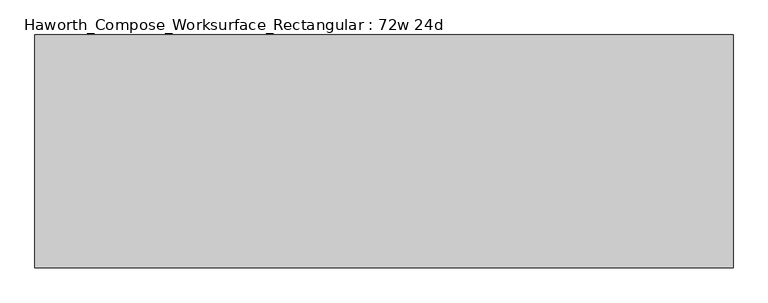
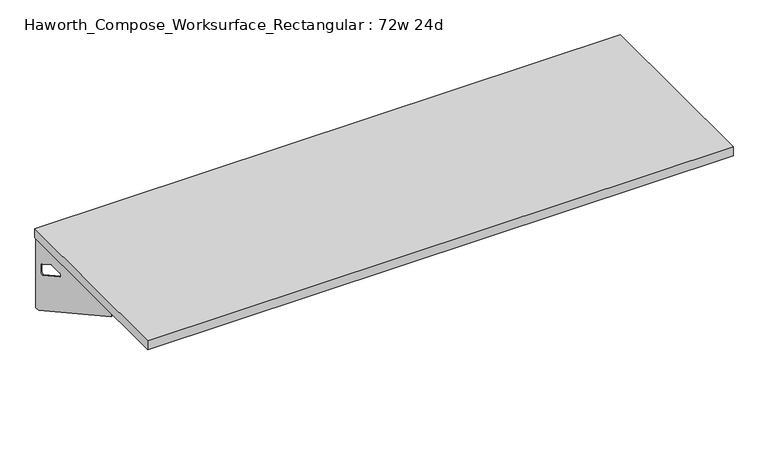
"""IFC4 building model written with IfcOpenShell, lengths in millimetres: furniture geometry, Haworth_Compose_Worksurface_Rectangular : 72w 24d."""

from ifc_helpers import new_model, si_unit, frame, origin, place, context, project, spatial, polyline, circle_curve, outline, extrude, source, transform, mapped, element, save
from ifc_brep_helpers import plane_surface, revolved_surface, advanced_brep


def haworth_compose_worksurface_rectangular_72w_24d_ccde5d08(model_context):
    return source(origin(), model_context, "Body", "SolidModel", [
        advanced_brep(
        [(908.84375, 304.8, 475.45625), (908.84375, 288.925, 475.45625), (908.84375, -101.6, 691.7192568), (908.84375, -101.6, 704.05625), (908.84375, 288.925, 704.05625), (908.84375, 304.8, 704.05625), (908.84375, 221.490072, 665.95625), (908.84375, 177.8355284, 665.95625), (908.84375, 175.1564235, 656.3705539), (908.84375, 266.8776173, 605.5776439), (908.84375, 276.225, 611.1756969), (908.84375, 276.225, 634.6860246), (908.84375, 274.4730055, 637.5242776), (908.84375, 224.5663437, 665.1613425), (911.225, 304.8, 475.45625), (911.225, 304.8, 704.05625), (911.225, 288.925, 704.05625), (911.225, 288.925, 706.4375), (911.225, -101.6, 706.4375), (911.225, -101.6, 691.7192568), (911.225, 288.925, 475.45625), (911.225, 221.490072, 665.95625), (911.225, 224.5663437, 665.1613425), (911.225, 274.4730055, 637.5242776), (911.225, 276.225, 634.6860246), (911.225, 276.225, 611.1756969), (911.225, 266.8776173, 605.5776439), (911.225, 175.1564235, 656.3705539), (911.225, 177.8355284, 665.95625), (869.95, -101.6, 706.4375), (869.95, -101.6, 704.05625), (869.95, 288.925, 704.05625), (869.95, 288.925, 706.4375)],
        [
            (0, 1),
            (1, 2),
            (2, 3),
            (3, 4),
            (4, 5),
            (5, 0),
            (6, 7),
            (7, 8, circle_curve(frame((908.84375, 177.8355284, 660.7890106), z_axis=(1.0, 0.0, 0.0), x_axis=(0.0, -1.0, 0.0)), 5.1672394)),
            (8, 9),
            (9, 10, circle_curve(frame((908.84375, 269.875, 611.1756969), z_axis=(1.0, 0.0, 0.0), x_axis=(0.0, -1.0, 0.0)), 6.35)),
            (10, 11),
            (11, 12, circle_curve(frame((908.84375, 273.05, 634.6860246), z_axis=(1.0, 0.0, 0.0), x_axis=(0.0, -1.0, 0.0)), 3.175)),
            (12, 13),
            (13, 6, circle_curve(frame((908.84375, 221.490072, 659.60625), z_axis=(1.0, 0.0, 0.0), x_axis=(0.0, -1.0, 0.0)), 6.35)),
            (14, 15),
            (15, 16),
            (16, 17),
            (17, 18),
            (18, 19),
            (19, 20),
            (20, 14),
            (21, 22, circle_curve(frame((911.225, 221.490072, 659.60625), z_axis=(-1.0, 0.0, 0.0), x_axis=(0.0, -1.0, 0.0)), 6.35)),
            (22, 23),
            (23, 24, circle_curve(frame((911.225, 273.05, 634.6860246), z_axis=(-1.0, 0.0, 0.0), x_axis=(0.0, -1.0, 0.0)), 3.175)),
            (24, 25),
            (25, 26, circle_curve(frame((911.225, 269.875, 611.1756969), z_axis=(-1.0, 0.0, 0.0), x_axis=(0.0, -1.0, 0.0)), 6.35)),
            (26, 27),
            (27, 28, circle_curve(frame((911.225, 177.8355284, 660.7890106), z_axis=(-1.0, 0.0, 0.0), x_axis=(0.0, -1.0, 0.0)), 5.1672394)),
            (28, 21),
            (4, 16),
            (15, 5),
            (14, 0),
            (20, 1),
            (19, 2),
            (18, 29),
            (29, 30),
            (30, 3),
            (6, 21),
            (28, 7),
            (9, 26),
            (25, 10),
            (24, 11),
            (23, 12),
            (27, 8),
            (31, 4),
            (30, 31),
            (32, 29),
            (17, 32),
            (31, 32),
            (22, 13),
        ],
        [
            plane_surface(frame((908.84375, 304.8, 475.45625), z_axis=(-1.0, 0.0, 0.0), x_axis=(0.0, 1.0, 0.0))),
            plane_surface(frame((911.225, 304.8, 475.45625), z_axis=(1.0, 0.0, 0.0), x_axis=(0.0, -1.0, 0.0))),
            plane_surface(frame((911.225, -101.6, 704.05625), z_axis=(0.0, 0.0, 1.0), x_axis=(-1.0, 0.0, 0.0))),
            plane_surface(frame((911.225, 304.8, 704.05625), z_axis=(0.0, 1.0, 0.0), x_axis=(-1.0, 0.0, 0.0))),
            plane_surface(frame((911.225, 304.8, 475.45625), z_axis=(0.0, 0.0, -1.0), x_axis=(-1.0, 0.0, 0.0))),
            plane_surface(frame((911.225, 288.925, 475.45625), z_axis=(0.0, -0.48445223513455843, -0.8748177135112952), x_axis=(-1.0, 0.0, 0.0))),
            plane_surface(frame((911.225, -101.6, 691.7192568), z_axis=(0.0, -1.0, 0.0), x_axis=(-1.0, 0.0, 0.0))),
            plane_surface(frame((911.225, 221.490072, 665.95625), z_axis=(0.0, 0.0, -1.0), x_axis=(-1.0, 0.0, 0.0))),
            revolved_surface(polyline([(908.84375, 263.525, 611.1756969), (911.225, 263.525, 611.1756969)]), (911.225, 269.875, 611.1756969), (-1.0, 0.0, 0.0)),
            plane_surface(frame((911.225, 276.225, 611.1756969), z_axis=(0.0, -1.0, 0.0), x_axis=(-1.0, 0.0, 0.0))),
            revolved_surface(polyline([(908.84375, 269.875, 634.6860246), (911.225, 269.875, 634.6860246)]), (911.225, 273.05, 634.6860246), (-1.0, 0.0, 0.0)),
            revolved_surface(polyline([(908.84375, 172.668289, 660.7890106), (911.225, 172.668289, 660.7890106)]), (911.225, 177.8355284, 660.7890106), (-1.0, 0.0, 0.0)),
            plane_surface(frame((911.225, 288.925, 704.05625), z_axis=(0.0, 0.0, -1.0), x_axis=(-1.0, 0.0, 0.0))),
            plane_surface(frame((911.225, 288.925, 706.4375), z_axis=(0.0, 0.0, 1.0), x_axis=(1.0, 0.0, 0.0))),
            plane_surface(frame((869.95, 288.925, 706.4375), z_axis=(0.0, 1.0, 0.0), x_axis=(0.0, 0.0, -1.0))),
            plane_surface(frame((869.95, -101.6, 706.4375), z_axis=(-1.0, 0.0, 0.0), x_axis=(0.0, 0.0, -1.0))),
            plane_surface(frame((911.225, 175.1564235, 656.3705539), z_axis=(0.0, 0.4844522351345583, 0.8748177135112953), x_axis=(-1.0, 0.0, 0.0))),
            plane_surface(frame((911.225, 274.4730055, 637.5242776), z_axis=(0.0, -0.4844522351345582, -0.8748177135112953), x_axis=(-1.0, 0.0, 0.0))),
            revolved_surface(polyline([(908.84375, 215.140072, 659.60625), (911.225, 215.140072, 659.60625)]), (911.225, 221.490072, 659.60625), (-1.0, 0.0, 0.0)),
        ],
        [
            (0, [[1, 2, 3, 4, 5, 6], [7, 8, 9, 10, 11, 12, 13, 14]]),
            (1, [[15, 16, 17, 18, 19, 20, 21], [22, 23, 24, 25, 26, 27, 28, 29]]),
            (2, [[-5, 30, -16, 31]]),
            (3, [[-31, -15, 32, -6]]),
            (4, [[-32, -21, 33, -1]]),
            (5, [[-33, -20, 34, -2]]),
            (6, [[-34, -19, 35, 36, 37, -3]]),
            (7, [[38, -29, 39, -7]]),
            (8, [[40, -26, 41, -10]]),
            (9, [[-41, -25, 42, -11]]),
            (10, [[-42, -24, 43, -12]]),
            (11, [[-39, -28, 44, -8]]),
            (12, [[45, -4, -37, 46]]),
            (13, [[47, -35, -18, 48]]),
            (14, [[-17, -30, -45, 49, -48]]),
            (15, [[-36, -47, -49, -46]]),
            (16, [[-44, -27, -40, -9]]),
            (17, [[-43, -23, 50, -13]]),
            (18, [[-50, -22, -38, -14]]),
        ],
    ),
        advanced_brep(
        [(-908.84375, 304.8, 475.45625), (-908.84375, 304.8, 704.05625), (-908.84375, 288.925, 704.05625), (-908.84375, -101.6, 704.05625), (-908.84375, -101.6, 691.7192568), (-908.84375, 288.925, 475.45625), (-908.84375, 221.490072, 665.95625), (-908.84375, 224.5663437, 665.1613425), (-908.84375, 274.4730055, 637.5242776), (-908.84375, 276.225, 634.6860246), (-908.84375, 276.225, 611.1756969), (-908.84375, 266.8776173, 605.5776439), (-908.84375, 175.1564235, 656.3705539), (-908.84375, 177.8355284, 665.95625), (-911.225, 304.8, 475.45625), (-911.225, 288.925, 475.45625), (-911.225, -101.6, 691.7192568), (-911.225, -101.6, 706.4375), (-911.225, 288.925, 706.4375), (-911.225, 288.925, 704.05625), (-911.225, 304.8, 704.05625), (-911.225, 221.490072, 665.95625), (-911.225, 177.8355284, 665.95625), (-911.225, 175.1564235, 656.3705539), (-911.225, 266.8776173, 605.5776439), (-911.225, 276.225, 611.1756969), (-911.225, 276.225, 634.6860246), (-911.225, 274.4730055, 637.5242776), (-911.225, 224.5663437, 665.1613425), (-869.95, -101.6, 704.05625), (-869.95, -101.6, 706.4375), (-869.95, 288.925, 704.05625), (-869.95, 288.925, 706.4375)],
        [
            (0, 1),
            (1, 2),
            (2, 3),
            (3, 4),
            (4, 5),
            (5, 0),
            (6, 7, circle_curve(frame((-908.84375, 221.490072, 659.60625), z_axis=(-1.0, 0.0, 0.0), x_axis=(0.0, -1.0, 0.0)), 6.35)),
            (7, 8),
            (8, 9, circle_curve(frame((-908.84375, 273.05, 634.6860246), z_axis=(-1.0, 0.0, 0.0), x_axis=(0.0, -1.0, 0.0)), 3.175)),
            (9, 10),
            (10, 11, circle_curve(frame((-908.84375, 269.875, 611.1756969), z_axis=(-1.0, 0.0, 0.0), x_axis=(0.0, -1.0, 0.0)), 6.35)),
            (11, 12),
            (12, 13, circle_curve(frame((-908.84375, 177.8355284, 660.7890106), z_axis=(-1.0, 0.0, 0.0), x_axis=(0.0, -1.0, 0.0)), 5.1672394)),
            (13, 6),
            (14, 15),
            (15, 16),
            (16, 17),
            (17, 18),
            (18, 19),
            (19, 20),
            (20, 14),
            (21, 22),
            (22, 23, circle_curve(frame((-911.225, 177.8355284, 660.7890106), z_axis=(1.0, 0.0, 0.0), x_axis=(0.0, -1.0, 0.0)), 5.1672394)),
            (23, 24),
            (24, 25, circle_curve(frame((-911.225, 269.875, 611.1756969), z_axis=(1.0, 0.0, 0.0), x_axis=(0.0, -1.0, 0.0)), 6.35)),
            (25, 26),
            (26, 27, circle_curve(frame((-911.225, 273.05, 634.6860246), z_axis=(1.0, 0.0, 0.0), x_axis=(0.0, -1.0, 0.0)), 3.175)),
            (27, 28),
            (28, 21, circle_curve(frame((-911.225, 221.490072, 659.60625), z_axis=(1.0, 0.0, 0.0), x_axis=(0.0, -1.0, 0.0)), 6.35)),
            (1, 20),
            (19, 2),
            (0, 14),
            (5, 15),
            (4, 16),
            (3, 29),
            (29, 30),
            (30, 17),
            (13, 22),
            (21, 6),
            (10, 25),
            (24, 11),
            (9, 26),
            (8, 27),
            (12, 23),
            (31, 29),
            (2, 31),
            (32, 18),
            (30, 32),
            (32, 31),
            (7, 28),
        ],
        [
            plane_surface(frame((-908.84375, 304.8, 475.45625), z_axis=(1.0, 0.0, 0.0), x_axis=(0.0, 1.0, 0.0))),
            plane_surface(frame((-911.225, 304.8, 475.45625), z_axis=(-1.0, 0.0, 0.0), x_axis=(0.0, -1.0, 0.0))),
            plane_surface(frame((-911.225, -101.6, 704.05625), z_axis=(0.0, 0.0, 1.0), x_axis=(1.0, 0.0, 0.0))),
            plane_surface(frame((-911.225, 304.8, 704.05625), z_axis=(0.0, 1.0, 0.0), x_axis=(1.0, 0.0, 0.0))),
            plane_surface(frame((-911.225, 304.8, 475.45625), z_axis=(0.0, 0.0, -1.0), x_axis=(1.0, 0.0, 0.0))),
            plane_surface(frame((-911.225, 288.925, 475.45625), z_axis=(0.0, -0.48445223513455843, -0.8748177135112952), x_axis=(1.0, 0.0, 0.0))),
            plane_surface(frame((-911.225, -101.6, 691.7192568), z_axis=(0.0, -1.0, 0.0), x_axis=(1.0, 0.0, 0.0))),
            plane_surface(frame((-911.225, 221.490072, 665.95625), z_axis=(0.0, 0.0, -1.0), x_axis=(1.0, 0.0, 0.0))),
            revolved_surface(polyline([(-908.84375, 263.525, 611.1756969), (-911.225, 263.525, 611.1756969)]), (-911.225, 269.875, 611.1756969), (1.0, 0.0, 0.0)),
            plane_surface(frame((-911.225, 276.225, 611.1756969), z_axis=(0.0, -1.0, 0.0), x_axis=(1.0, 0.0, 0.0))),
            revolved_surface(polyline([(-908.84375, 269.875, 634.6860246), (-911.225, 269.875, 634.6860246)]), (-911.225, 273.05, 634.6860246), (1.0, 0.0, 0.0)),
            revolved_surface(polyline([(-908.84375, 172.668289, 660.7890106), (-911.225, 172.668289, 660.7890106)]), (-911.225, 177.8355284, 660.7890106), (1.0, 0.0, 0.0)),
            plane_surface(frame((-911.225, 288.925, 704.05625), z_axis=(0.0, 0.0, -1.0), x_axis=(1.0, 0.0, 0.0))),
            plane_surface(frame((-911.225, 288.925, 706.4375), z_axis=(0.0, 0.0, 1.0), x_axis=(-1.0, 0.0, 0.0))),
            plane_surface(frame((-869.95, 288.925, 706.4375), z_axis=(0.0, 1.0, 0.0), x_axis=(0.0, 0.0, -1.0))),
            plane_surface(frame((-869.95, -101.6, 706.4375), z_axis=(1.0, 0.0, 0.0), x_axis=(0.0, 0.0, -1.0))),
            plane_surface(frame((-911.225, 175.1564235, 656.3705539), z_axis=(0.0, 0.4844522351345583, 0.8748177135112953), x_axis=(1.0, 0.0, 0.0))),
            plane_surface(frame((-911.225, 274.4730055, 637.5242776), z_axis=(0.0, -0.4844522351345582, -0.8748177135112953), x_axis=(1.0, 0.0, 0.0))),
            revolved_surface(polyline([(-908.84375, 215.140072, 659.60625), (-911.225, 215.140072, 659.60625)]), (-911.225, 221.490072, 659.60625), (1.0, 0.0, 0.0)),
        ],
        [
            (0, [[1, 2, 3, 4, 5, 6], [7, 8, 9, 10, 11, 12, 13, 14]]),
            (1, [[15, 16, 17, 18, 19, 20, 21], [22, 23, 24, 25, 26, 27, 28, 29]]),
            (2, [[30, -20, 31, -2]]),
            (3, [[-1, 32, -21, -30]]),
            (4, [[-6, 33, -15, -32]]),
            (5, [[-5, 34, -16, -33]]),
            (6, [[-4, 35, 36, 37, -17, -34]]),
            (7, [[-14, 38, -22, 39]]),
            (8, [[-11, 40, -25, 41]]),
            (9, [[-10, 42, -26, -40]]),
            (10, [[-9, 43, -27, -42]]),
            (11, [[-13, 44, -23, -38]]),
            (12, [[45, -35, -3, 46]]),
            (13, [[47, -18, -37, 48]]),
            (14, [[-47, 49, -46, -31, -19]]),
            (15, [[-45, -49, -48, -36]]),
            (16, [[-12, -41, -24, -44]]),
            (17, [[-8, 50, -28, -43]]),
            (18, [[-7, -39, -29, -50]]),
        ],
    ),
        extrude(outline(polyline([(914.4, 304.8), (914.4, -304.8), (-914.4, -304.8), (-914.4, 304.8), (914.4, 304.8)])), frame((0.0, 0.0, 706.4375), z_axis=(0.0, 0.0, 1.0), x_axis=(1.0, 0.0, 0.0)), (0.0, 0.0, 1.0), 30.1625),
    ])


if __name__ == "__main__":
    model = new_model("IFC4")
    model_context = context("Model", 3, world=origin())
    ifc_project = project(units=[si_unit("LENGTHUNIT", "METRE", prefix="MILLI")], contexts=[model_context])
    site = spatial("IfcSite", under=ifc_project)
    building = spatial("IfcBuilding", under=site)
    placement = place(None, origin())
    haworth_compose_worksurface_rectangular_72w_24d_shape = haworth_compose_worksurface_rectangular_72w_24d_ccde5d08(model_context)
    element("IfcFurniture", 1, ObjectType="Haworth_Compose_Worksurface_Rectangular : 72w 24d", at=placement, inside=building, context=model_context, shape_type="MappedRepresentation", body=[
        mapped(haworth_compose_worksurface_rectangular_72w_24d_shape, transform((0.0, 0.0, 0.0), x_axis=(1.0, 0.0, 0.0), y_axis=(0.0, 1.0, 0.0), z_axis=(0.0, 0.0, 1.0))),
    ])
    save(model, "model.ifc")
